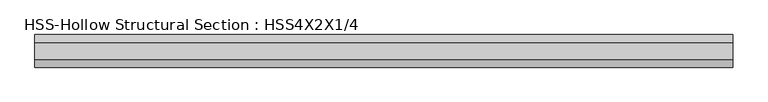
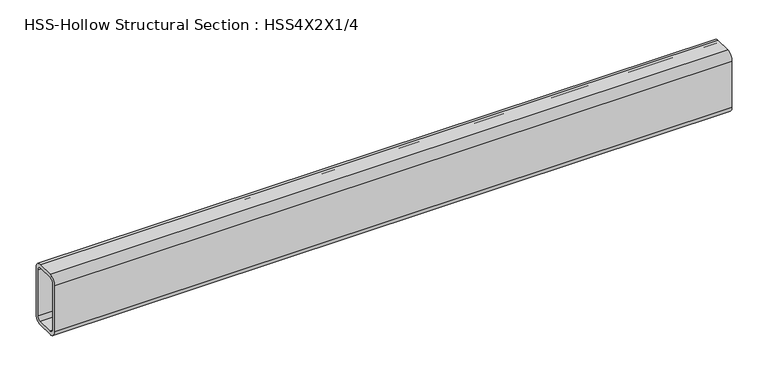
"""IFC4 building model written with IfcOpenShell, lengths in millimetres: beam geometry, HSS-Hollow Structural Section : HSS4X2X1/4."""

from ifc_helpers import new_model, si_unit, point, frame, frame_2d, origin, place, context, project, spatial, polyline, circle_curve, trimmed, segment, composite_curve, outline, extrude, source, transform, mapped, element, save


def hss_hollow_structural_section_hss4x2x1_4_089d88df(model_context):
    return source(origin(), model_context, "Body", "SweptSolid", [
        extrude(outline(composite_curve([segment(polyline([(25.4, 38.9636), (25.4, -38.9636)]), True, "CONTINUOUS"), segment(trimmed(circle_curve(frame_2d((13.5636, -38.9636)), 11.8364), [point((25.4, -38.9636))], [point((13.5636, -50.8))], False, "CARTESIAN"), True, "CONTINUOUS"), segment(polyline([(13.5636, -50.8), (-13.5636, -50.8)]), True, "CONTINUOUS"), segment(trimmed(circle_curve(frame_2d((-13.5636, -38.9636)), 11.8364), [point((-13.5636, -50.8))], [point((-25.4, -38.9636))], False, "CARTESIAN"), True, "CONTINUOUS"), segment(polyline([(-25.4, -38.9636), (-25.4, 38.9636)]), True, "CONTINUOUS"), segment(trimmed(circle_curve(frame_2d((-13.5636, 38.9636)), 11.8364), [point((-25.4, 38.9636))], [point((-13.5636, 50.8))], False, "CARTESIAN"), True, "CONTINUOUS"), segment(polyline([(-13.5636, 50.8), (13.5636, 50.8)]), True, "CONTINUOUS"), segment(trimmed(circle_curve(frame_2d((13.5636, 38.9636)), 11.8364), [point((13.5636, 50.8))], [point((25.4, 38.9636))], False, "CARTESIAN"), True, "CONTINUOUS")], self_intersect=False), holes=[composite_curve([segment(trimmed(circle_curve(frame_2d((-13.5636, 38.9636)), 5.9182), [point((-13.5636, 44.8818))], [point((-19.4818, 38.9636))], True, "CARTESIAN"), True, "CONTINUOUS"), segment(polyline([(-19.4818, 38.9636), (-19.4818, -38.9636)]), True, "CONTINUOUS"), segment(trimmed(circle_curve(frame_2d((-13.5636, -38.9636)), 5.9182), [point((-19.4818, -38.9636))], [point((-13.5636, -44.8818))], True, "CARTESIAN"), True, "CONTINUOUS"), segment(polyline([(-13.5636, -44.8818), (13.5636, -44.8818)]), True, "CONTINUOUS"), segment(trimmed(circle_curve(frame_2d((13.5636, -38.9636)), 5.9182), [point((13.5636, -44.8818))], [point((19.4818, -38.9636))], True, "CARTESIAN"), True, "CONTINUOUS"), segment(polyline([(19.4818, -38.9636), (19.4818, 38.9636)]), True, "CONTINUOUS"), segment(trimmed(circle_curve(frame_2d((13.5636, 38.9636)), 5.9182), [point((19.4818, 38.9636))], [point((13.5636, 44.8818))], True, "CARTESIAN"), True, "CONTINUOUS"), segment(polyline([(13.5636, 44.8818), (-13.5636, 44.8818)]), True, "CONTINUOUS")], self_intersect=False)]), frame((-542.86023, 0.0, 0.0), z_axis=(1.0, 0.0, 0.0), x_axis=(0.0, 1.0, 0.0)), (0.0, 0.0, 1.0), 1085.72046),
    ])


if __name__ == "__main__":
    model = new_model("IFC4")
    model_context = context("Model", 3, world=origin())
    ifc_project = project(units=[si_unit("LENGTHUNIT", "METRE", prefix="MILLI")], contexts=[model_context])
    site = spatial("IfcSite", under=ifc_project)
    building = spatial("IfcBuilding", under=site)
    placement = place(None, origin())
    hss_hollow_structural_section_hss4x2x1_4_shape = hss_hollow_structural_section_hss4x2x1_4_089d88df(model_context)
    element("IfcBeam", 1, ObjectType="HSS-Hollow Structural Section : HSS4X2X1/4", at=placement, inside=building, context=model_context, shape_type="MappedRepresentation", body=[
        mapped(hss_hollow_structural_section_hss4x2x1_4_shape, transform((0.0, 0.0, 0.0), x_axis=(1.0, 0.0, 0.0), y_axis=(0.0, 1.0, 0.0), z_axis=(0.0, 0.0, 1.0))),
    ])
    save(model, "model.ifc")
